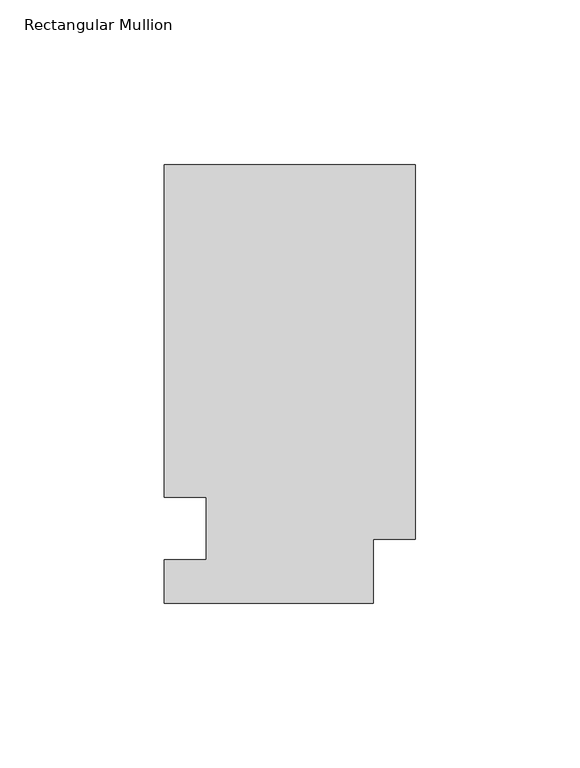
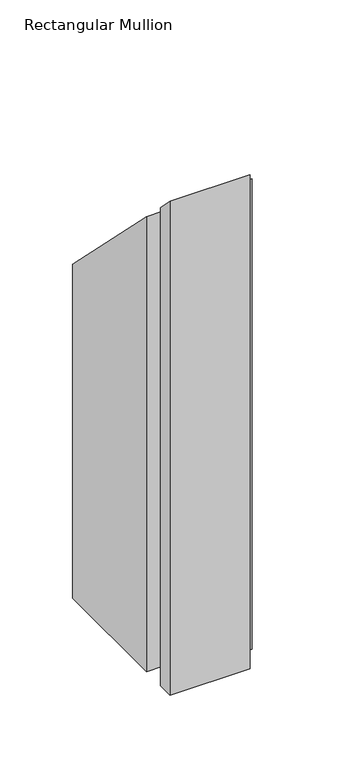
"""IFC4 building model written with IfcOpenShell, lengths in millimetres: member geometry, Rectangular Mullion."""

from ifc_helpers import new_model, si_unit, origin, place, context, project, spatial, faceted_brep, source, transform, mapped, element, save


def rectangular_mullion_f447279a(model_context):
    return source(origin(), model_context, "Body", "Brep", [
        faceted_brep([(0.0, 133.4396938, -413.2460937), (0.0, 19.5460937, -413.2460937), (-12.7, 19.5460937, -413.2460937), (-12.7, 0.0134937, -413.2460937), (-76.2, 0.0134937, -413.2460937), (-76.2, 13.1960937, -413.2460937), (-63.5, 13.1960937, -413.2460937), (-63.5, 32.2460938, -413.2460937), (-76.2, 32.2460937, -413.2460937), (-76.2, 133.4396938, -413.2460937), (-76.2, 133.4396938, -133.4396938), (0.0, 133.4396938, -133.4396938), (-76.2, 32.2460937, -32.2460937), (-63.5, 32.2460937, -32.2460938), (-63.5, 13.1960937, -13.1960937), (-76.2, 13.1960937, -13.1960937), (-76.2, 0.0134937, -0.0134937), (-12.7, 0.0134937, -0.0134937), (-12.7, 19.5460937, -19.5460937), (0.0, 19.5460937, -19.5460937)], [[[0, 1, 2, 3, 4, 5, 6, 7, 8, 9]], [[10, 11, 0, 9]], [[12, 10, 9, 8]], [[13, 12, 8, 7]], [[14, 13, 7, 6]], [[15, 14, 6, 5]], [[16, 15, 5, 4]], [[17, 16, 4, 3]], [[18, 17, 3, 2]], [[19, 18, 2, 1]], [[11, 19, 1, 0]], [[11, 10, 12, 13, 14, 15, 16, 17, 18, 19]]]),
    ])


if __name__ == "__main__":
    model = new_model("IFC4")
    model_context = context("Model", 3, world=origin())
    ifc_project = project(units=[si_unit("LENGTHUNIT", "METRE", prefix="MILLI")], contexts=[model_context])
    site = spatial("IfcSite", under=ifc_project)
    building = spatial("IfcBuilding", under=site)
    placement = place(None, origin())
    rectangular_mullion_shape = rectangular_mullion_f447279a(model_context)
    element("IfcMember", 1, ObjectType="Rectangular Mullion", at=placement, inside=building, context=model_context, shape_type="MappedRepresentation", body=[
        mapped(rectangular_mullion_shape, transform((0.0, 0.0, 0.0), x_axis=(1.0, 0.0, 0.0), y_axis=(0.0, 1.0, 0.0), z_axis=(0.0, 0.0, 1.0))),
    ])
    save(model, "model.ifc")
